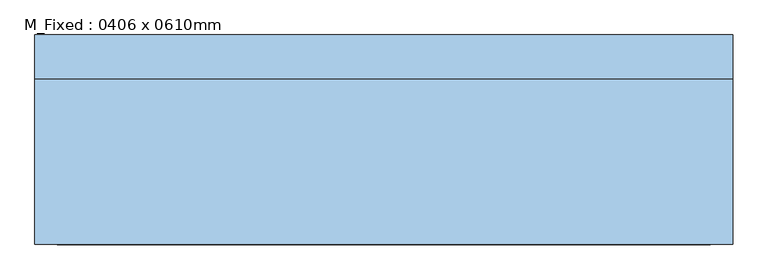
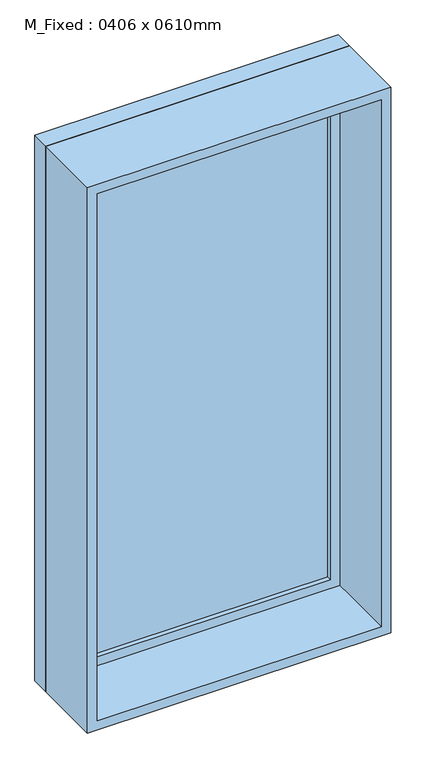
"""IFC4 building model written with IfcOpenShell, lengths in millimetres: window geometry, M_Fixed : 0406 x 0610mm."""

from ifc_helpers import new_model, si_unit, frame, origin, place, context, project, spatial, polyline, outline, extrude, source, transform, mapped, element, save


def m_fixed_0406_x_0610mm_a3d3bcd8(model_context):
    return source(origin(), model_context, "Body", "SweptSolid", [
        extrude(outline(polyline([(-437.0, 128.0), (437.0, 128.0), (437.0, 116.0), (-437.0, 116.0), (-437.0, 128.0)])), frame((0.0, 0.0, 263.0), z_axis=(0.0, 0.0, 1.0), x_axis=(1.0, 0.0, 0.0)), (0.0, 0.0, 1.0), 1774.0),
        extrude(outline(polyline([(2081.0, -481.0), (219.0, -481.0), (219.0, 481.0), (2081.0, 481.0), (2081.0, -481.0)]), holes=[polyline([(2037.0, -437.0), (2037.0, 437.0), (263.0, 437.0), (263.0, -437.0), (2037.0, -437.0)])]), frame((0.0, 100.0, 0.0), z_axis=(0.0, 1.0, 0.0), x_axis=(0.0, 0.0, 1.0)), (0.0, 0.0, 1.0), 44.0),
        extrude(outline(polyline([(2100.0, -500.0), (200.0, -500.0), (200.0, 500.0), (2100.0, 500.0), (2100.0, -500.0)]), holes=[polyline([(2081.0, -481.0), (2081.0, 481.0), (219.0, 481.0), (219.0, -481.0), (2081.0, -481.0)])]), frame((0.0, 100.0, 0.0), z_axis=(0.0, 1.0, 0.0), x_axis=(0.0, 0.0, 1.0)), (0.0, 0.0, 1.0), 63.0),
        extrude(outline(polyline([(2100.0, -500.0), (200.0, -500.0), (200.0, 500.0), (2100.0, 500.0), (2100.0, -500.0)]), holes=[polyline([(2068.0, -468.0), (2068.0, 468.0), (232.0, 468.0), (232.0, -468.0), (2068.0, -468.0)])]), frame((0.0, -137.0, 0.0), z_axis=(0.0, 1.0, 0.0), x_axis=(0.0, 0.0, 1.0)), (0.0, 0.0, 1.0), 237.0),
    ])


if __name__ == "__main__":
    model = new_model("IFC4")
    model_context = context("Model", 3, world=origin())
    ifc_project = project(units=[si_unit("LENGTHUNIT", "METRE", prefix="MILLI")], contexts=[model_context])
    site = spatial("IfcSite", under=ifc_project)
    building = spatial("IfcBuilding", under=site)
    placement = place(None, origin())
    m_fixed_0406_x_0610mm_shape = m_fixed_0406_x_0610mm_a3d3bcd8(model_context)
    element("IfcWindow", 1, ObjectType="M_Fixed : 0406 x 0610mm", at=placement, inside=building, context=model_context, shape_type="MappedRepresentation", body=[
        mapped(m_fixed_0406_x_0610mm_shape, transform((0.0, 0.0, 0.0), x_axis=(1.0, 0.0, 0.0), y_axis=(0.0, 1.0, 0.0), z_axis=(0.0, 0.0, 1.0))),
    ])
    save(model, "model.ifc")
